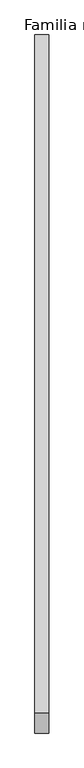
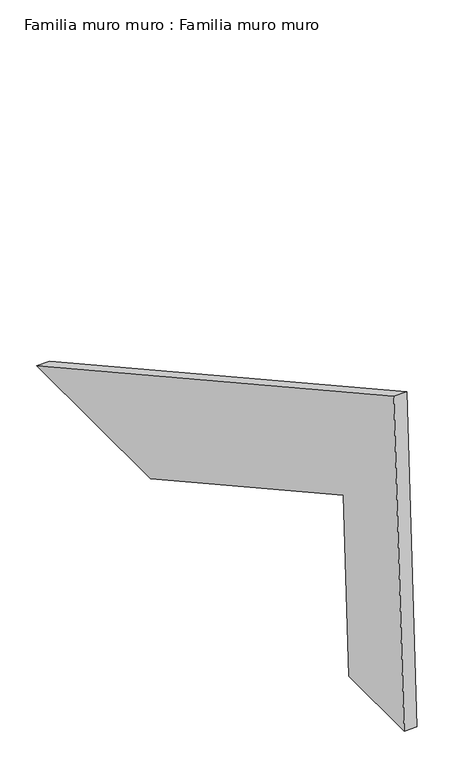
"""IFC4 building model written with IfcOpenShell, lengths in millimetres: plate geometry, Familia muro muro : Familia muro muro."""

import ifcopenshell
import ifcopenshell.guid

model = None  # the IFC model being written
_history = None  # IfcOwnerHistory: only IFC2X3 demands one
_inside = {}  # id of a spatial element -> (the spatial element, [elements in it])
_under = {}  # id of a project, library or spatial element -> (it, [spatial elements below it])
_declared = {}  # id of a project -> (the project, [libraries it declares])
_typed = {}  # id of a type object -> (the type object, [elements of that type])
_made_of = {}  # id of a material, layer set ... -> (it, [elements and type objects made of it])


def new_model(schema):
    """Start an empty IFC model of exactly this schema.

    Asked for "IFC4X3", IfcOpenShell would pick the latest addendum, in which some entities
    have other attributes; the version numbers below select the first issue.
    IFC2X3 requires an IfcOwnerHistory on every rooted entity: one is made here for all.
    """
    global model, _history
    if schema == "IFC4X3":
        model = ifcopenshell.file(schema_version=(4, 3, 0, 0))
    else:
        model = ifcopenshell.file(schema=schema)
    _inside.clear()
    _under.clear()
    _declared.clear()
    _typed.clear()
    _made_of.clear()
    _history = None
    if model.schema == "IFC2X3":
        org = make("IfcOrganization", Name="unknown")
        user = make(
            "IfcPersonAndOrganization",
            ThePerson=make("IfcPerson", FamilyName="unknown"),
            TheOrganization=org,
        )
        app = make(
            "IfcApplication",
            ApplicationDeveloper=org,
            Version="unknown",
            ApplicationFullName="unknown",
            ApplicationIdentifier="unknown",
        )
        _history = make(
            "IfcOwnerHistory",
            OwningUser=user,
            OwningApplication=app,
            ChangeAction="ADDED",
            CreationDate=0,
        )
    return model


def make(cls, **values):
    """One entity of the class cls with the attributes given. An attribute that is None is left unset."""
    return model.create_entity(
        cls, **{name: value for name, value in values.items() if value is not None}
    )


def rooted(cls, **values):
    """An entity with a GlobalId (a new one), such as an element, a storey or a relation."""
    return make(cls, GlobalId=ifcopenshell.guid.new(), OwnerHistory=_history, **values)


def si_unit(unit_type, name, prefix=None):
    """IfcSIUnit, for example si_unit("LENGTHUNIT", "METRE", prefix="MILLI")."""
    return make("IfcSIUnit", UnitType=unit_type, Prefix=prefix, Name=name)


def assignment(units):
    """IfcUnitAssignment: the units of a project."""
    return None if units is None else make("IfcUnitAssignment", Units=units)


def point(xyz):
    """IfcCartesianPoint."""
    return None if xyz is None else make("IfcCartesianPoint", Coordinates=xyz)


def direction(xyz):
    """IfcDirection."""
    return None if xyz is None else make("IfcDirection", DirectionRatios=xyz)


def frame(location, z_axis=None, x_axis=None):
    """IfcAxis2Placement3D, a coordinate frame: its origin and axes. An axis left out is left unset."""
    return make(
        "IfcAxis2Placement3D",
        Location=point(location),
        Axis=direction(z_axis),
        RefDirection=direction(x_axis),
    )


def origin():
    """The frame at (0, 0, 0) with its axes left unset."""
    return frame((0.0, 0.0, 0.0))


def place(relative_to, where):
    """IfcLocalPlacement: puts the frame where relative to a parent placement (None: the world)."""
    return make(
        "IfcLocalPlacement", PlacementRelTo=relative_to, RelativePlacement=where
    )


def context(
    kind, dimensions, precision=None, world=None, true_north=None, identifier=None
):
    """IfcGeometricRepresentationContext, for example the 3D "Model" context."""
    return make(
        "IfcGeometricRepresentationContext",
        ContextIdentifier=identifier,
        ContextType=kind,
        CoordinateSpaceDimension=dimensions,
        Precision=precision,
        WorldCoordinateSystem=world,
        TrueNorth=true_north,
    )


def project(units=None, contexts=None):
    """IfcProject with its units and contexts."""
    return rooted(
        "IfcProject",
        Name="project",
        RepresentationContexts=contexts,
        UnitsInContext=assignment(units),
    )


def spatial(cls, under=None, at=None, **own):
    """A site, building, storey or space (cls), placed at a placement, below another one or the project."""
    s = rooted(cls, ObjectPlacement=at, **own)
    if under is not None:
        _under.setdefault(under.id(), (under, []))[1].append(s)
    return s


def polyline(points):
    """IfcPolyline through the points."""
    return make("IfcPolyline", Points=[point(p) for p in points])


def outline(outer, holes=None, kind="AREA"):
    """IfcArbitraryClosedProfileDef: a profile drawn as a closed curve; with holes, ...WithVoids."""
    if holes is None:
        return make("IfcArbitraryClosedProfileDef", ProfileType=kind, OuterCurve=outer)
    return make(
        "IfcArbitraryProfileDefWithVoids",
        ProfileType=kind,
        OuterCurve=outer,
        InnerCurves=holes,
    )


def extrude(swept, where, along, depth):
    """IfcExtrudedAreaSolid: the profile swept, set in the frame where, extruded along a direction by depth."""
    return make(
        "IfcExtrudedAreaSolid",
        SweptArea=swept,
        Position=where,
        ExtrudedDirection=direction(along),
        Depth=depth,
    )


def shape(context_of_items, identifier, shape_type, items):
    """IfcShapeRepresentation: the items that make up one representation, for example the "Body"."""
    return make(
        "IfcShapeRepresentation",
        ContextOfItems=context_of_items,
        RepresentationIdentifier=identifier,
        RepresentationType=shape_type,
        Items=items,
    )


def source(mapping_origin, context_of_items, identifier, shape_type, items):
    """IfcRepresentationMap: a shape defined once, which mapped items show again and again."""
    return make(
        "IfcRepresentationMap",
        MappingOrigin=mapping_origin,
        MappedRepresentation=shape(context_of_items, identifier, shape_type, items),
    )


def transform(
    local_origin,
    x_axis=None,
    y_axis=None,
    z_axis=None,
    scale=None,
    scale2=None,
    scale3=None,
    uniform=True,
):
    """IfcCartesianTransformationOperator3D, or its non-uniform kind. x_axis, y_axis, z_axis: its Axis1, 2, 3."""
    if uniform:
        return make(
            "IfcCartesianTransformationOperator3D",
            Axis1=direction(x_axis),
            Axis2=direction(y_axis),
            LocalOrigin=point(local_origin),
            Scale=scale,
            Axis3=direction(z_axis),
        )
    return make(
        "IfcCartesianTransformationOperator3DnonUniform",
        Axis1=direction(x_axis),
        Axis2=direction(y_axis),
        LocalOrigin=point(local_origin),
        Scale=scale,
        Axis3=direction(z_axis),
        Scale2=scale2,
        Scale3=scale3,
    )


def mapped(mapping_source, mapping_target):
    """IfcMappedItem: shows the shape of a source again, moved by a transform."""
    return make(
        "IfcMappedItem", MappingSource=mapping_source, MappingTarget=mapping_target
    )


def made_of(thing, what):
    """Note that an element or type object is made of a material, layer set ...; save() writes the relation."""
    if what is not None:
        _made_of.setdefault(what.id(), (what, []))[1].append(thing)
    return thing


def element(
    cls,
    number,
    at=None,
    inside=None,
    cuts=None,
    type_object=None,
    material=None,
    context=None,
    identifier="Body",
    shape_type=None,
    held_by="IfcProductDefinitionShape",
    body=None,
    shapes=None,
    **own,
):
    """One element of the class cls, such as IfcWall. Its Tag is "e" and its number.

    at: its placement. inside: the storey or other place that contains it. cuts: it is an
    opening in that element (IfcRelVoidsElement). A single representation is given by context,
    identifier, shape_type and body (its items); several are given by shapes. held_by: the class
    of the entity that holds the representations. save() writes the other relations.
    """
    e = rooted(cls, Tag="e%d" % number, ObjectPlacement=at, **own)
    if body is not None:
        shapes = [shape(context, identifier, shape_type, body)]
    if shapes is not None:
        e.Representation = make(held_by, Representations=shapes)
    if inside is not None:
        _inside.setdefault(inside.id(), (inside, []))[1].append(e)
    if cuts is not None:
        rooted(
            "IfcRelVoidsElement", RelatingBuildingElement=cuts, RelatedOpeningElement=e
        )
    if type_object is not None:
        _typed.setdefault(type_object.id(), (type_object, []))[1].append(e)
    return made_of(e, material)


def aggregate(whole, parts):
    """IfcRelAggregates: a whole, such as a stair, and the parts it consists of."""
    return rooted("IfcRelAggregates", RelatingObject=whole, RelatedObjects=parts)


def save(model, path):
    """Write the relations noted so far, then the file.

    IfcRelAggregates (storeys below a building ...), IfcRelContainedInSpatialStructure (elements
    in a storey), IfcRelDefinesByType, IfcRelAssociatesMaterial and IfcRelDeclares: one each for
    every whole, place, type object, material and project.
    """
    for whole, parts in _under.values():
        aggregate(whole, parts)
    for where, things in _inside.values():
        rooted(
            "IfcRelContainedInSpatialStructure",
            RelatedElements=things,
            RelatingStructure=where,
        )
    for kind, things in _typed.values():
        rooted("IfcRelDefinesByType", RelatedObjects=things, RelatingType=kind)
    for what, things in _made_of.values():
        rooted("IfcRelAssociatesMaterial", RelatedObjects=things, RelatingMaterial=what)
    for by, libraries in _declared.values():
        rooted("IfcRelDeclares", RelatingContext=by, RelatedDefinitions=libraries)
    model.write(path)


def familia_muro_muro_familia_muro_muro_78329d3e(model_context):
    return source(origin(), model_context, "Body", "SweptSolid", [
        extrude(outline(polyline([(-971.7699787, 538.6608951), (0.0, 0.0), (-309.3998009, 0.0), (-834.5388042, 291.0893028), (-849.7941481, 0.0), (-1000.0, 0.0), (-971.7699787, 538.6608951)])), frame((0.0, 0.0, 0.0), z_axis=(1.0, 0.0, 0.0), x_axis=(0.0, 1.0, 0.0)), (0.0, 0.0, 1.0), 20.0),
    ])


if __name__ == "__main__":
    model = new_model("IFC4")
    model_context = context("Model", 3, world=origin())
    ifc_project = project(units=[si_unit("LENGTHUNIT", "METRE", prefix="MILLI")], contexts=[model_context])
    site = spatial("IfcSite", under=ifc_project)
    building = spatial("IfcBuilding", under=site)
    placement = place(None, origin())
    familia_muro_muro_familia_muro_muro_shape = familia_muro_muro_familia_muro_muro_78329d3e(model_context)
    element("IfcPlate", 1, ObjectType="Familia muro muro : Familia muro muro", at=placement, inside=building, context=model_context, shape_type="MappedRepresentation", body=[
        mapped(familia_muro_muro_familia_muro_muro_shape, transform((0.0, 0.0, 0.0), x_axis=(1.0, 0.0, 0.0), y_axis=(0.0, 1.0, 0.0), z_axis=(0.0, 0.0, 1.0))),
    ])
    save(model, "model.ifc")
